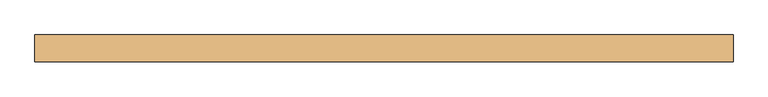
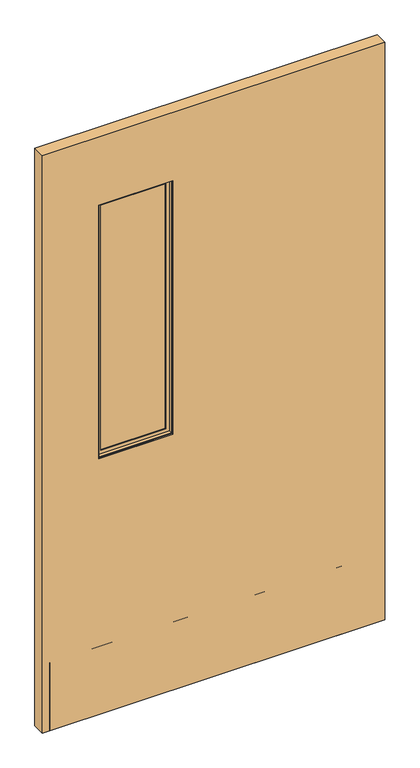
"""IFC4 building model written with IfcOpenShell, lengths in millimetres: door geometry."""

from ifc_helpers import new_model, si_unit, frame, origin, place, context, project, spatial, polyline, outline, extrude, faceted_brep, source, transform, mapped, element, save


def door_b49efd64(model_context):
    return source(origin(), model_context, "Body", "SolidModel", [
        extrude(outline(polyline([(-143.7464326, 3.175), (-143.7464326, -3.175), (-405.3664326, -3.175), (-405.3664326, 3.175), (-143.7464326, 3.175)])), frame((0.0, 0.0, 968.7435027), z_axis=(0.0, 0.0, 1.0), x_axis=(1.0, 0.0, 0.0)), (0.0, 0.0, 1.0), 947.42),
        faceted_brep([(-389.4758536, -3.797467, 1900.2729238), (-389.4758536, -6.9755828, 1900.2729238), (-389.4758536, -6.9755828, 984.6340817), (-389.4758536, -3.797467, 984.6340817), (-159.6370115, -6.9755828, 984.6340817), (-159.6370115, -3.797467, 984.6340817), (-146.9245484, -6.9755828, 971.9216185), (-146.9245484, -6.9755828, 1912.9853869), (-402.1883168, -6.9755828, 1912.9853869), (-402.1883168, -6.9755828, 971.9216185), (-159.6370115, -6.9755828, 1900.2729238), (-159.6370115, -3.797467, 1900.2729238), (-405.3664326, -3.797467, 968.7435027), (-405.3664326, -3.797467, 1916.1635027), (-143.7464326, -3.797467, 1916.1635027), (-143.7464326, -3.797467, 968.7435027), (-405.3664326, -19.688046, 1916.1635027), (-405.3664326, -19.688046, 968.7435027), (-143.7464326, -19.688046, 968.7435027), (-143.7464326, -19.688046, 1916.1635027), (-402.1883168, -19.688046, 971.9216185), (-402.1883168, -19.688046, 1912.9853869), (-146.9245484, -19.688046, 1912.9853869), (-146.9245484, -19.688046, 971.9216185)], [[[0, 1, 2, 3]], [[3, 2, 4, 5]], [[6, 7, 8, 9], [2, 1, 10, 4]], [[5, 4, 10, 11]], [[12, 13, 14, 15], [5, 11, 0, 3]], [[16, 13, 12, 17]], [[17, 12, 15, 18]], [[18, 15, 14, 19]], [[18, 19, 16, 17], [20, 21, 22, 23]], [[8, 21, 20, 9]], [[9, 20, 23, 6]], [[6, 23, 22, 7]], [[11, 10, 1, 0]], [[19, 14, 13, 16]], [[7, 22, 21, 8]]]),
        faceted_brep([(-402.1883168, 19.688046, 1912.9853869), (-402.1883168, 6.9755828, 1912.9853869), (-402.1883168, 6.9755828, 971.9216185), (-402.1883168, 19.688046, 971.9216185), (-146.9245484, 6.9755828, 971.9216185), (-146.9245484, 19.688046, 971.9216185), (-146.9245484, 6.9755828, 1912.9853869), (-159.6370115, 6.9755828, 984.6340817), (-159.6370115, 6.9755828, 1900.2729238), (-389.4758536, 6.9755828, 1900.2729238), (-389.4758536, 6.9755828, 984.6340817), (-146.9245484, 19.688046, 1912.9853869), (-405.3664326, 19.688046, 968.7435027), (-405.3664326, 19.688046, 1916.1635027), (-143.7464326, 19.688046, 1916.1635027), (-143.7464326, 19.688046, 968.7435027), (-405.3664326, 3.797467, 1916.1635027), (-405.3664326, 3.797467, 968.7435027), (-143.7464326, 3.797467, 968.7435027), (-143.7464326, 3.797467, 1916.1635027), (-389.4758536, 3.797467, 984.6340817), (-389.4758536, 3.797467, 1900.2729238), (-159.6370115, 3.797467, 1900.2729238), (-159.6370115, 3.797467, 984.6340817)], [[[0, 1, 2, 3]], [[3, 2, 4, 5]], [[2, 1, 6, 4], [7, 8, 9, 10]], [[5, 4, 6, 11]], [[12, 13, 14, 15], [5, 11, 0, 3]], [[16, 13, 12, 17]], [[17, 12, 15, 18]], [[18, 15, 14, 19]], [[18, 19, 16, 17], [20, 21, 22, 23]], [[9, 21, 20, 10]], [[10, 20, 23, 7]], [[7, 23, 22, 8]], [[11, 6, 1, 0]], [[19, 14, 13, 16]], [[8, 22, 21, 9]]]),
        extrude(outline(polyline([(2170.1635027, 604.7564326), (2170.1635027, -604.7564326), (12.7, -604.7564326), (12.7, 604.7564326), (2170.1635027, 604.7564326)]), holes=[polyline([(1916.1635027, -405.3664326), (1916.1635027, -143.7464326), (968.7435027, -143.7464326), (968.7435027, -405.3664326), (1916.1635027, -405.3664326)])]), frame((0.0, -23.114, 0.0), z_axis=(0.0, 1.0, 0.0), x_axis=(0.0, 0.0, 1.0)), (0.0, 0.0, 1.0), 46.228),
        extrude(outline(polyline([(579.3564326, -9.8925062), (579.3564326, -11.4927062), (-579.3564326, -11.4927062), (-579.3564326, -9.8925062), (579.3564326, -9.8925062)])), frame((0.0, 0.0, 12.7), z_axis=(0.0, 0.0, 1.0), x_axis=(1.0, 0.0, 0.0)), (0.0, 0.0, 1.0), 254.0),
        extrude(outline(polyline([(579.3564326, -21.5634094), (579.3564326, -23.114), (-579.3564326, -23.114), (-579.3564326, -21.5634094), (579.3564326, -21.5634094)])), frame((0.0, 0.0, 12.7), z_axis=(0.0, 0.0, 1.0), x_axis=(1.0, 0.0, 0.0)), (0.0, 0.0, 1.0), 254.0),
    ])


if __name__ == "__main__":
    model = new_model("IFC4")
    model_context = context("Model", 3, world=origin())
    ifc_project = project(units=[si_unit("LENGTHUNIT", "METRE", prefix="MILLI")], contexts=[model_context])
    site = spatial("IfcSite", under=ifc_project)
    building = spatial("IfcBuilding", under=site)
    placement = place(None, origin())
    door_shape = door_b49efd64(model_context)
    element("IfcDoor", 1, at=placement, inside=building, context=model_context, shape_type="MappedRepresentation", body=[
        mapped(door_shape, transform((0.0, 0.0, 0.0), x_axis=(1.0, 0.0, 0.0), y_axis=(0.0, 1.0, 0.0), z_axis=(0.0, 0.0, 1.0))),
    ])
    save(model, "model.ifc")
